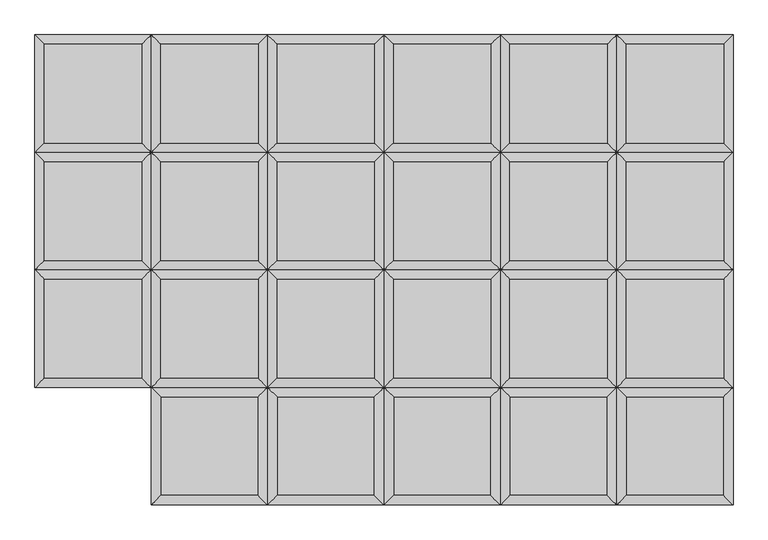
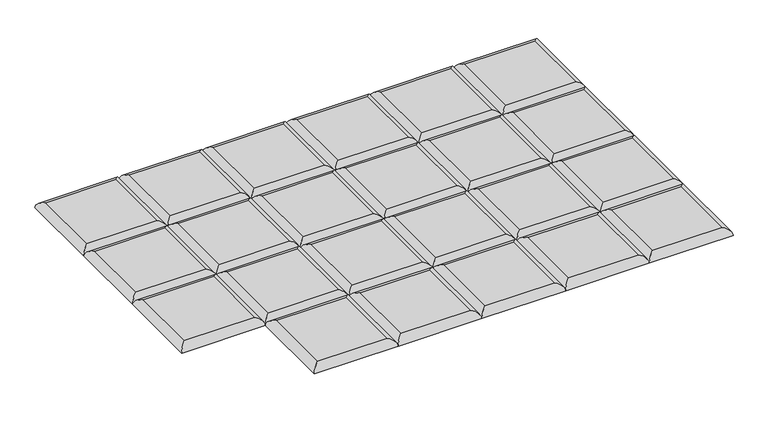
"""IFC4 building model written with IfcOpenShell, lengths in millimetres: furniture geometry."""

from ifc_helpers import new_model, si_unit, frame, origin, place, context, project, spatial, ellipse_curve, source, transform, mapped, element, save
from ifc_brep_helpers import plane_surface, cylinder_surface, advanced_brep


def furniture_85ab8b81(model_context):
    return source(origin(), model_context, "Body", "AdvancedBrep", [
        advanced_brep(
        [(641.6230592, -204.2894878, 411.6605122), (641.6230592, -17.9605122, 411.6605122), (457.8340837, -17.9605122, 411.6605122), (457.8340837, -204.2894878, 411.6605122), (659.5835714, 0.0, 393.7), (659.5835714, -222.25, 393.7), (439.8735714, -222.25, 393.7), (439.8735714, 0.0, 393.7)],
        [
            (0, 1),
            (1, 2),
            (2, 3),
            (3, 0),
            (4, 5),
            (5, 6),
            (6, 7),
            (7, 4),
            (4, 1, ellipse_curve(frame((641.6230592, -17.9605122, 393.7), z_axis=(0.7071067811865475, -0.7071067811865475, 0.0), x_axis=(0.7071067811865474, 0.7071067811865476, 0.0)), 25.4, 17.9605122)),
            (0, 5, ellipse_curve(frame((641.6230592, -204.2894878, 393.7), z_axis=(0.7071067811865475, 0.7071067811865475, 0.0), x_axis=(-0.7071067811865474, 0.7071067811865476, 0.0)), 25.4, 17.9605122)),
            (3, 6, ellipse_curve(frame((457.8340837, -204.2894878, 393.7), z_axis=(0.7071067811865475, -0.7071067811865475, 0.0), x_axis=(0.7071067811865476, 0.7071067811865474, 0.0)), 25.4, 17.9605122)),
            (2, 7, ellipse_curve(frame((457.8340837, -17.9605122, 393.7), z_axis=(-0.7071067811865475, -0.7071067811865475, 0.0), x_axis=(0.7071067811865474, -0.7071067811865476, 0.0)), 25.4, 17.9605122)),
        ],
        [
            plane_surface(frame((457.8340837, -17.9605122, 411.6605122), z_axis=(0.0, 0.0, 1.0), x_axis=(-1.0, 0.0, 0.0))),
            plane_surface(frame((457.8340837, -17.9605122, 393.7), z_axis=(0.0, 0.0, -1.0), x_axis=(1.0, 0.0, 0.0))),
            cylinder_surface(frame((641.6230592, 0.0, 393.7), z_axis=(0.0, 1.0, 0.0), x_axis=(1.0, 0.0, 0.0)), 17.9605122),
            cylinder_surface(frame((659.5835714, -204.2894878, 393.7), z_axis=(1.0, 0.0, 0.0), x_axis=(0.0, -1.0, 0.0)), 17.9605122),
            cylinder_surface(frame((457.8340837, -222.25, 393.7), z_axis=(0.0, -1.0, 0.0), x_axis=(-1.0, 0.0, 0.0)), 17.9605122),
            cylinder_surface(frame((439.8735714, -17.9605122, 393.7), z_axis=(-1.0, 0.0, 0.0), x_axis=(0.0, 1.0, 0.0)), 17.9605122),
        ],
        [
            (0, [[1, 2, 3, 4]]),
            (1, [[5, 6, 7, 8]]),
            (2, [[9, -1, 10, -5]]),
            (3, [[-10, -4, 11, -6]]),
            (4, [[-11, -3, 12, -7]]),
            (5, [[-9, -8, -12, -2]]),
        ],
    ),
        advanced_brep(
        [(641.6230592, 17.9605122, 411.6605122), (641.6230592, 204.2894878, 411.6605122), (457.8340837, 204.2894878, 411.6605122), (457.8340837, 17.9605122, 411.6605122), (659.5835714, 222.25, 393.7), (659.5835714, 0.0, 393.7), (439.8735714, 0.0, 393.7), (439.8735714, 222.25, 393.7)],
        [
            (0, 1),
            (1, 2),
            (2, 3),
            (3, 0),
            (4, 5),
            (5, 6),
            (6, 7),
            (7, 4),
            (4, 1, ellipse_curve(frame((641.6230592, 204.2894878, 393.7), z_axis=(0.7071067811865475, -0.7071067811865475, 0.0), x_axis=(0.7071067811865474, 0.7071067811865476, 0.0)), 25.4, 17.9605122)),
            (0, 5, ellipse_curve(frame((641.6230592, 17.9605122, 393.7), z_axis=(0.7071067811865475, 0.7071067811865475, 0.0), x_axis=(-0.7071067811865474, 0.7071067811865476, 0.0)), 25.4, 17.9605122)),
            (3, 6, ellipse_curve(frame((457.8340837, 17.9605122, 393.7), z_axis=(0.7071067811865475, -0.7071067811865475, 0.0), x_axis=(0.7071067811865476, 0.7071067811865474, 0.0)), 25.4, 17.9605122)),
            (2, 7, ellipse_curve(frame((457.8340837, 204.2894878, 393.7), z_axis=(-0.7071067811865475, -0.7071067811865475, 0.0), x_axis=(0.7071067811865474, -0.7071067811865476, 0.0)), 25.4, 17.9605122)),
        ],
        [
            plane_surface(frame((457.8340837, 204.2894878, 411.6605122), z_axis=(0.0, 0.0, 1.0), x_axis=(-1.0, 0.0, 0.0))),
            plane_surface(frame((457.8340837, 204.2894878, 393.7), z_axis=(0.0, 0.0, -1.0), x_axis=(1.0, 0.0, 0.0))),
            cylinder_surface(frame((641.6230592, 222.25, 393.7), z_axis=(0.0, 1.0, 0.0), x_axis=(1.0, 0.0, 0.0)), 17.9605122),
            cylinder_surface(frame((659.5835714, 17.9605122, 393.7), z_axis=(1.0, 0.0, 0.0), x_axis=(0.0, -1.0, 0.0)), 17.9605122),
            cylinder_surface(frame((457.8340837, 0.0, 393.7), z_axis=(0.0, -1.0, 0.0), x_axis=(-1.0, 0.0, 0.0)), 17.9605122),
            cylinder_surface(frame((439.8735714, 204.2894878, 393.7), z_axis=(-1.0, 0.0, 0.0), x_axis=(0.0, 1.0, 0.0)), 17.9605122),
        ],
        [
            (0, [[1, 2, 3, 4]]),
            (1, [[5, 6, 7, 8]]),
            (2, [[9, -1, 10, -5]]),
            (3, [[-10, -4, 11, -6]]),
            (4, [[-11, -3, 12, -7]]),
            (5, [[-9, -8, -12, -2]]),
        ],
    ),
        advanced_brep(
        [(641.6230592, 240.2105122, 411.6605122), (641.6230592, 426.5394878, 411.6605122), (457.8340837, 426.5394878, 411.6605122), (457.8340837, 240.2105122, 411.6605122), (659.5835714, 444.5, 393.7), (659.5835714, 222.25, 393.7), (439.8735714, 222.25, 393.7), (439.8735714, 444.5, 393.7)],
        [
            (0, 1),
            (1, 2),
            (2, 3),
            (3, 0),
            (4, 5),
            (5, 6),
            (6, 7),
            (7, 4),
            (4, 1, ellipse_curve(frame((641.6230592, 426.5394878, 393.7), z_axis=(0.7071067811865475, -0.7071067811865475, 0.0), x_axis=(0.7071067811865474, 0.7071067811865476, 0.0)), 25.4, 17.9605122)),
            (0, 5, ellipse_curve(frame((641.6230592, 240.2105122, 393.7), z_axis=(0.7071067811865475, 0.7071067811865475, 0.0), x_axis=(-0.7071067811865474, 0.7071067811865476, 0.0)), 25.4, 17.9605122)),
            (3, 6, ellipse_curve(frame((457.8340837, 240.2105122, 393.7), z_axis=(0.7071067811865475, -0.7071067811865475, 0.0), x_axis=(0.7071067811865476, 0.7071067811865474, 0.0)), 25.4, 17.9605122)),
            (2, 7, ellipse_curve(frame((457.8340837, 426.5394878, 393.7), z_axis=(-0.7071067811865475, -0.7071067811865475, 0.0), x_axis=(0.7071067811865474, -0.7071067811865476, 0.0)), 25.4, 17.9605122)),
        ],
        [
            plane_surface(frame((457.8340837, 426.5394878, 411.6605122), z_axis=(0.0, 0.0, 1.0), x_axis=(-1.0, 0.0, 0.0))),
            plane_surface(frame((457.8340837, 426.5394878, 393.7), z_axis=(0.0, 0.0, -1.0), x_axis=(1.0, 0.0, 0.0))),
            cylinder_surface(frame((641.6230592, 444.5, 393.7), z_axis=(0.0, 1.0, 0.0), x_axis=(1.0, 0.0, 0.0)), 17.9605122),
            cylinder_surface(frame((659.5835714, 240.2105122, 393.7), z_axis=(1.0, 0.0, 0.0), x_axis=(0.0, -1.0, 0.0)), 17.9605122),
            cylinder_surface(frame((457.8340837, 222.25, 393.7), z_axis=(0.0, -1.0, 0.0), x_axis=(-1.0, 0.0, 0.0)), 17.9605122),
            cylinder_surface(frame((439.8735714, 426.5394878, 393.7), z_axis=(-1.0, 0.0, 0.0), x_axis=(0.0, 1.0, 0.0)), 17.9605122),
        ],
        [
            (0, [[1, 2, 3, 4]]),
            (1, [[5, 6, 7, 8]]),
            (2, [[9, -1, 10, -5]]),
            (3, [[-10, -4, 11, -6]]),
            (4, [[-11, -3, 12, -7]]),
            (5, [[-9, -8, -12, -2]]),
        ],
    ),
        advanced_brep(
        [(659.5835714, -222.25, 393.7), (641.6230592, -240.2105122, 411.6605122), (641.6230592, -426.5394878, 411.6605122), (659.5835714, -444.5, 393.7), (457.8340837, -426.5394878, 411.6605122), (439.8735714, -444.5, 393.7), (457.8340837, -240.2105122, 411.6605122), (439.8735714, -222.25, 393.7)],
        [
            (0, 1, ellipse_curve(frame((641.6230592, -240.2105122, 393.7), z_axis=(0.7071067811865475, -0.7071067811865475, 0.0), x_axis=(0.7071067811865474, 0.7071067811865476, 0.0)), 25.4, 17.9605122)),
            (1, 2),
            (2, 3, ellipse_curve(frame((641.6230592, -426.5394878, 393.7), z_axis=(0.7071067811865475, 0.7071067811865475, 0.0), x_axis=(-0.7071067811865474, 0.7071067811865476, 0.0)), 25.4, 17.9605122)),
            (3, 0),
            (2, 4),
            (4, 5, ellipse_curve(frame((457.8340837, -426.5394878, 393.7), z_axis=(0.7071067811865475, -0.7071067811865475, 0.0), x_axis=(0.7071067811865476, 0.7071067811865474, 0.0)), 25.4, 17.9605122)),
            (5, 3),
            (4, 6),
            (6, 7, ellipse_curve(frame((457.8340837, -240.2105122, 393.7), z_axis=(-0.7071067811865475, -0.7071067811865475, 0.0), x_axis=(0.7071067811865474, -0.7071067811865476, 0.0)), 25.4, 17.9605122)),
            (7, 5),
            (0, 7),
            (6, 1),
        ],
        [
            cylinder_surface(frame((641.6230592, -222.25, 393.7), z_axis=(0.0, 1.0, 0.0), x_axis=(1.0, 0.0, 0.0)), 17.9605122),
            cylinder_surface(frame((659.5835714, -426.5394878, 393.7), z_axis=(1.0, 0.0, 0.0), x_axis=(0.0, -1.0, 0.0)), 17.9605122),
            cylinder_surface(frame((457.8340837, -444.5, 393.7), z_axis=(0.0, -1.0, 0.0), x_axis=(-1.0, 0.0, 0.0)), 17.9605122),
            cylinder_surface(frame((439.8735714, -240.2105122, 393.7), z_axis=(-1.0, 0.0, 0.0), x_axis=(0.0, 1.0, 0.0)), 17.9605122),
            plane_surface(frame((439.8735714, -222.25, 393.7), z_axis=(0.0, 0.0, -1.0), x_axis=(1.0, 0.0, 0.0))),
            plane_surface(frame((457.8340837, -240.2105122, 411.6605122), z_axis=(0.0, 0.0, 1.0), x_axis=(-1.0, 0.0, 0.0))),
        ],
        [
            (0, [[1, 2, 3, 4]]),
            (1, [[-3, 5, 6, 7]]),
            (2, [[-6, 8, 9, 10]]),
            (3, [[-1, 11, -9, 12]]),
            (4, [[-4, -7, -10, -11]]),
            (5, [[-2, -12, -8, -5]]),
        ],
    ),
        advanced_brep(
        [(421.7316306, -204.2894878, 411.6605122), (421.7316306, -17.9605122, 411.6605122), (237.9426551, -17.9605122, 411.6605122), (237.9426551, -204.2894878, 411.6605122), (439.6921429, 0.0, 393.7), (439.6921429, -222.25, 393.7), (219.9821429, -222.25, 393.7), (219.9821429, 0.0, 393.7)],
        [
            (0, 1),
            (1, 2),
            (2, 3),
            (3, 0),
            (4, 5),
            (5, 6),
            (6, 7),
            (7, 4),
            (4, 1, ellipse_curve(frame((421.7316306, -17.9605122, 393.7), z_axis=(0.7071067811865475, -0.7071067811865475, 0.0), x_axis=(0.7071067811865474, 0.7071067811865476, 0.0)), 25.4, 17.9605122)),
            (0, 5, ellipse_curve(frame((421.7316306, -204.2894878, 393.7), z_axis=(0.7071067811865475, 0.7071067811865475, 0.0), x_axis=(-0.7071067811865474, 0.7071067811865476, 0.0)), 25.4, 17.9605122)),
            (3, 6, ellipse_curve(frame((237.9426551, -204.2894878, 393.7), z_axis=(0.7071067811865475, -0.7071067811865475, 0.0), x_axis=(0.7071067811865476, 0.7071067811865474, 0.0)), 25.4, 17.9605122)),
            (2, 7, ellipse_curve(frame((237.9426551, -17.9605122, 393.7), z_axis=(-0.7071067811865475, -0.7071067811865475, 0.0), x_axis=(0.7071067811865474, -0.7071067811865476, 0.0)), 25.4, 17.9605122)),
        ],
        [
            plane_surface(frame((237.9426551, -17.9605122, 411.6605122), z_axis=(0.0, 0.0, 1.0), x_axis=(-1.0, 0.0, 0.0))),
            plane_surface(frame((237.9426551, -17.9605122, 393.7), z_axis=(0.0, 0.0, -1.0), x_axis=(1.0, 0.0, 0.0))),
            cylinder_surface(frame((421.7316306, 0.0, 393.7), z_axis=(0.0, 1.0, 0.0), x_axis=(1.0, 0.0, 0.0)), 17.9605122),
            cylinder_surface(frame((439.6921429, -204.2894878, 393.7), z_axis=(1.0, 0.0, 0.0), x_axis=(0.0, -1.0, 0.0)), 17.9605122),
            cylinder_surface(frame((237.9426551, -222.25, 393.7), z_axis=(0.0, -1.0, 0.0), x_axis=(-1.0, 0.0, 0.0)), 17.9605122),
            cylinder_surface(frame((219.9821429, -17.9605122, 393.7), z_axis=(-1.0, 0.0, 0.0), x_axis=(0.0, 1.0, 0.0)), 17.9605122),
        ],
        [
            (0, [[1, 2, 3, 4]]),
            (1, [[5, 6, 7, 8]]),
            (2, [[9, -1, 10, -5]]),
            (3, [[-10, -4, 11, -6]]),
            (4, [[-11, -3, 12, -7]]),
            (5, [[-9, -8, -12, -2]]),
        ],
    ),
        advanced_brep(
        [(421.7316306, 17.9605122, 411.6605122), (421.7316306, 204.2894878, 411.6605122), (237.9426551, 204.2894878, 411.6605122), (237.9426551, 17.9605122, 411.6605122), (439.6921429, 222.25, 393.7), (439.6921429, 0.0, 393.7), (219.9821429, 0.0, 393.7), (219.9821429, 222.25, 393.7)],
        [
            (0, 1),
            (1, 2),
            (2, 3),
            (3, 0),
            (4, 5),
            (5, 6),
            (6, 7),
            (7, 4),
            (4, 1, ellipse_curve(frame((421.7316306, 204.2894878, 393.7), z_axis=(0.7071067811865475, -0.7071067811865475, 0.0), x_axis=(0.7071067811865474, 0.7071067811865476, 0.0)), 25.4, 17.9605122)),
            (0, 5, ellipse_curve(frame((421.7316306, 17.9605122, 393.7), z_axis=(0.7071067811865475, 0.7071067811865475, 0.0), x_axis=(-0.7071067811865474, 0.7071067811865476, 0.0)), 25.4, 17.9605122)),
            (3, 6, ellipse_curve(frame((237.9426551, 17.9605122, 393.7), z_axis=(0.7071067811865475, -0.7071067811865475, 0.0), x_axis=(0.7071067811865476, 0.7071067811865474, 0.0)), 25.4, 17.9605122)),
            (2, 7, ellipse_curve(frame((237.9426551, 204.2894878, 393.7), z_axis=(-0.7071067811865475, -0.7071067811865475, 0.0), x_axis=(0.7071067811865474, -0.7071067811865476, 0.0)), 25.4, 17.9605122)),
        ],
        [
            plane_surface(frame((237.9426551, 204.2894878, 411.6605122), z_axis=(0.0, 0.0, 1.0), x_axis=(-1.0, 0.0, 0.0))),
            plane_surface(frame((237.9426551, 204.2894878, 393.7), z_axis=(0.0, 0.0, -1.0), x_axis=(1.0, 0.0, 0.0))),
            cylinder_surface(frame((421.7316306, 222.25, 393.7), z_axis=(0.0, 1.0, 0.0), x_axis=(1.0, 0.0, 0.0)), 17.9605122),
            cylinder_surface(frame((439.6921429, 17.9605122, 393.7), z_axis=(1.0, 0.0, 0.0), x_axis=(0.0, -1.0, 0.0)), 17.9605122),
            cylinder_surface(frame((237.9426551, 0.0, 393.7), z_axis=(0.0, -1.0, 0.0), x_axis=(-1.0, 0.0, 0.0)), 17.9605122),
            cylinder_surface(frame((219.9821429, 204.2894878, 393.7), z_axis=(-1.0, 0.0, 0.0), x_axis=(0.0, 1.0, 0.0)), 17.9605122),
        ],
        [
            (0, [[1, 2, 3, 4]]),
            (1, [[5, 6, 7, 8]]),
            (2, [[9, -1, 10, -5]]),
            (3, [[-10, -4, 11, -6]]),
            (4, [[-11, -3, 12, -7]]),
            (5, [[-9, -8, -12, -2]]),
        ],
    ),
        advanced_brep(
        [(421.7316306, 240.2105122, 411.6605122), (421.7316306, 426.5394878, 411.6605122), (237.9426551, 426.5394878, 411.6605122), (237.9426551, 240.2105122, 411.6605122), (439.6921429, 444.5, 393.7), (439.6921429, 222.25, 393.7), (219.9821429, 222.25, 393.7), (219.9821429, 444.5, 393.7)],
        [
            (0, 1),
            (1, 2),
            (2, 3),
            (3, 0),
            (4, 5),
            (5, 6),
            (6, 7),
            (7, 4),
            (4, 1, ellipse_curve(frame((421.7316306, 426.5394878, 393.7), z_axis=(0.7071067811865475, -0.7071067811865475, 0.0), x_axis=(0.7071067811865474, 0.7071067811865476, 0.0)), 25.4, 17.9605122)),
            (0, 5, ellipse_curve(frame((421.7316306, 240.2105122, 393.7), z_axis=(0.7071067811865475, 0.7071067811865475, 0.0), x_axis=(-0.7071067811865474, 0.7071067811865476, 0.0)), 25.4, 17.9605122)),
            (3, 6, ellipse_curve(frame((237.9426551, 240.2105122, 393.7), z_axis=(0.7071067811865475, -0.7071067811865475, 0.0), x_axis=(0.7071067811865476, 0.7071067811865474, 0.0)), 25.4, 17.9605122)),
            (2, 7, ellipse_curve(frame((237.9426551, 426.5394878, 393.7), z_axis=(-0.7071067811865475, -0.7071067811865475, 0.0), x_axis=(0.7071067811865474, -0.7071067811865476, 0.0)), 25.4, 17.9605122)),
        ],
        [
            plane_surface(frame((237.9426551, 426.5394878, 411.6605122), z_axis=(0.0, 0.0, 1.0), x_axis=(-1.0, 0.0, 0.0))),
            plane_surface(frame((237.9426551, 426.5394878, 393.7), z_axis=(0.0, 0.0, -1.0), x_axis=(1.0, 0.0, 0.0))),
            cylinder_surface(frame((421.7316306, 444.5, 393.7), z_axis=(0.0, 1.0, 0.0), x_axis=(1.0, 0.0, 0.0)), 17.9605122),
            cylinder_surface(frame((439.6921429, 240.2105122, 393.7), z_axis=(1.0, 0.0, 0.0), x_axis=(0.0, -1.0, 0.0)), 17.9605122),
            cylinder_surface(frame((237.9426551, 222.25, 393.7), z_axis=(0.0, -1.0, 0.0), x_axis=(-1.0, 0.0, 0.0)), 17.9605122),
            cylinder_surface(frame((219.9821429, 426.5394878, 393.7), z_axis=(-1.0, 0.0, 0.0), x_axis=(0.0, 1.0, 0.0)), 17.9605122),
        ],
        [
            (0, [[1, 2, 3, 4]]),
            (1, [[5, 6, 7, 8]]),
            (2, [[9, -1, 10, -5]]),
            (3, [[-10, -4, 11, -6]]),
            (4, [[-11, -3, 12, -7]]),
            (5, [[-9, -8, -12, -2]]),
        ],
    ),
        advanced_brep(
        [(439.6921429, -222.25, 393.7), (421.7316306, -240.2105122, 411.6605122), (421.7316306, -426.5394878, 411.6605122), (439.6921429, -444.5, 393.7), (237.9426551, -426.5394878, 411.6605122), (219.9821429, -444.5, 393.7), (237.9426551, -240.2105122, 411.6605122), (219.9821429, -222.25, 393.7)],
        [
            (0, 1, ellipse_curve(frame((421.7316306, -240.2105122, 393.7), z_axis=(0.7071067811865475, -0.7071067811865475, 0.0), x_axis=(0.7071067811865474, 0.7071067811865476, 0.0)), 25.4, 17.9605122)),
            (1, 2),
            (2, 3, ellipse_curve(frame((421.7316306, -426.5394878, 393.7), z_axis=(0.7071067811865475, 0.7071067811865475, 0.0), x_axis=(-0.7071067811865474, 0.7071067811865476, 0.0)), 25.4, 17.9605122)),
            (3, 0),
            (2, 4),
            (4, 5, ellipse_curve(frame((237.9426551, -426.5394878, 393.7), z_axis=(0.7071067811865475, -0.7071067811865475, 0.0), x_axis=(0.7071067811865476, 0.7071067811865474, 0.0)), 25.4, 17.9605122)),
            (5, 3),
            (4, 6),
            (6, 7, ellipse_curve(frame((237.9426551, -240.2105122, 393.7), z_axis=(-0.7071067811865475, -0.7071067811865475, 0.0), x_axis=(0.7071067811865474, -0.7071067811865476, 0.0)), 25.4, 17.9605122)),
            (7, 5),
            (0, 7),
            (6, 1),
        ],
        [
            cylinder_surface(frame((421.7316306, -222.25, 393.7), z_axis=(0.0, 1.0, 0.0), x_axis=(1.0, 0.0, 0.0)), 17.9605122),
            cylinder_surface(frame((439.6921429, -426.5394878, 393.7), z_axis=(1.0, 0.0, 0.0), x_axis=(0.0, -1.0, 0.0)), 17.9605122),
            cylinder_surface(frame((237.9426551, -444.5, 393.7), z_axis=(0.0, -1.0, 0.0), x_axis=(-1.0, 0.0, 0.0)), 17.9605122),
            cylinder_surface(frame((219.9821429, -240.2105122, 393.7), z_axis=(-1.0, 0.0, 0.0), x_axis=(0.0, 1.0, 0.0)), 17.9605122),
            plane_surface(frame((219.9821429, -222.25, 393.7), z_axis=(0.0, 0.0, -1.0), x_axis=(1.0, 0.0, 0.0))),
            plane_surface(frame((237.9426551, -240.2105122, 411.6605122), z_axis=(0.0, 0.0, 1.0), x_axis=(-1.0, 0.0, 0.0))),
        ],
        [
            (0, [[1, 2, 3, 4]]),
            (1, [[-3, 5, 6, 7]]),
            (2, [[-6, 8, 9, 10]]),
            (3, [[-1, 11, -9, 12]]),
            (4, [[-4, -7, -10, -11]]),
            (5, [[-2, -12, -8, -5]]),
        ],
    ),
        advanced_brep(
        [(201.840202, -204.2894878, 411.6605122), (201.840202, -17.9605122, 411.6605122), (18.0512265, -17.9605122, 411.6605122), (18.0512265, -204.2894878, 411.6605122), (219.8007143, 0.0, 393.7), (219.8007143, -222.25, 393.7), (0.0907143, -222.25, 393.7), (0.0907143, 0.0, 393.7)],
        [
            (0, 1),
            (1, 2),
            (2, 3),
            (3, 0),
            (4, 5),
            (5, 6),
            (6, 7),
            (7, 4),
            (4, 1, ellipse_curve(frame((201.840202, -17.9605122, 393.7), z_axis=(0.7071067811865475, -0.7071067811865475, 0.0), x_axis=(0.7071067811865474, 0.7071067811865476, 0.0)), 25.4, 17.9605122)),
            (0, 5, ellipse_curve(frame((201.840202, -204.2894878, 393.7), z_axis=(0.7071067811865475, 0.7071067811865475, 0.0), x_axis=(-0.7071067811865474, 0.7071067811865476, 0.0)), 25.4, 17.9605122)),
            (3, 6, ellipse_curve(frame((18.0512265, -204.2894878, 393.7), z_axis=(0.7071067811865475, -0.7071067811865475, 0.0), x_axis=(0.7071067811865476, 0.7071067811865474, 0.0)), 25.4, 17.9605122)),
            (2, 7, ellipse_curve(frame((18.0512265, -17.9605122, 393.7), z_axis=(-0.7071067811865475, -0.7071067811865475, 0.0), x_axis=(0.7071067811865474, -0.7071067811865476, 0.0)), 25.4, 17.9605122)),
        ],
        [
            plane_surface(frame((18.0512265, -17.9605122, 411.6605122), z_axis=(0.0, 0.0, 1.0), x_axis=(-1.0, 0.0, 0.0))),
            plane_surface(frame((18.0512265, -17.9605122, 393.7), z_axis=(0.0, 0.0, -1.0), x_axis=(1.0, 0.0, 0.0))),
            cylinder_surface(frame((201.840202, 0.0, 393.7), z_axis=(0.0, 1.0, 0.0), x_axis=(1.0, 0.0, 0.0)), 17.9605122),
            cylinder_surface(frame((219.8007143, -204.2894878, 393.7), z_axis=(1.0, 0.0, 0.0), x_axis=(0.0, -1.0, 0.0)), 17.9605122),
            cylinder_surface(frame((18.0512265, -222.25, 393.7), z_axis=(0.0, -1.0, 0.0), x_axis=(-1.0, 0.0, 0.0)), 17.9605122),
            cylinder_surface(frame((0.0907143, -17.9605122, 393.7), z_axis=(-1.0, 0.0, 0.0), x_axis=(0.0, 1.0, 0.0)), 17.9605122),
        ],
        [
            (0, [[1, 2, 3, 4]]),
            (1, [[5, 6, 7, 8]]),
            (2, [[9, -1, 10, -5]]),
            (3, [[-10, -4, 11, -6]]),
            (4, [[-11, -3, 12, -7]]),
            (5, [[-9, -8, -12, -2]]),
        ],
    ),
        advanced_brep(
        [(201.840202, 17.9605122, 411.6605122), (201.840202, 204.2894878, 411.6605122), (18.0512265, 204.2894878, 411.6605122), (18.0512265, 17.9605122, 411.6605122), (219.8007143, 222.25, 393.7), (219.8007143, 0.0, 393.7), (0.0907143, 0.0, 393.7), (0.0907143, 222.25, 393.7)],
        [
            (0, 1),
            (1, 2),
            (2, 3),
            (3, 0),
            (4, 5),
            (5, 6),
            (6, 7),
            (7, 4),
            (4, 1, ellipse_curve(frame((201.840202, 204.2894878, 393.7), z_axis=(0.7071067811865475, -0.7071067811865475, 0.0), x_axis=(0.7071067811865474, 0.7071067811865476, 0.0)), 25.4, 17.9605122)),
            (0, 5, ellipse_curve(frame((201.840202, 17.9605122, 393.7), z_axis=(0.7071067811865475, 0.7071067811865475, 0.0), x_axis=(-0.7071067811865474, 0.7071067811865476, 0.0)), 25.4, 17.9605122)),
            (3, 6, ellipse_curve(frame((18.0512265, 17.9605122, 393.7), z_axis=(0.7071067811865475, -0.7071067811865475, 0.0), x_axis=(0.7071067811865476, 0.7071067811865474, 0.0)), 25.4, 17.9605122)),
            (2, 7, ellipse_curve(frame((18.0512265, 204.2894878, 393.7), z_axis=(-0.7071067811865475, -0.7071067811865475, 0.0), x_axis=(0.7071067811865474, -0.7071067811865476, 0.0)), 25.4, 17.9605122)),
        ],
        [
            plane_surface(frame((18.0512265, 204.2894878, 411.6605122), z_axis=(0.0, 0.0, 1.0), x_axis=(-1.0, 0.0, 0.0))),
            plane_surface(frame((18.0512265, 204.2894878, 393.7), z_axis=(0.0, 0.0, -1.0), x_axis=(1.0, 0.0, 0.0))),
            cylinder_surface(frame((201.840202, 222.25, 393.7), z_axis=(0.0, 1.0, 0.0), x_axis=(1.0, 0.0, 0.0)), 17.9605122),
            cylinder_surface(frame((219.8007143, 17.9605122, 393.7), z_axis=(1.0, 0.0, 0.0), x_axis=(0.0, -1.0, 0.0)), 17.9605122),
            cylinder_surface(frame((18.0512265, 0.0, 393.7), z_axis=(0.0, -1.0, 0.0), x_axis=(-1.0, 0.0, 0.0)), 17.9605122),
            cylinder_surface(frame((0.0907143, 204.2894878, 393.7), z_axis=(-1.0, 0.0, 0.0), x_axis=(0.0, 1.0, 0.0)), 17.9605122),
        ],
        [
            (0, [[1, 2, 3, 4]]),
            (1, [[5, 6, 7, 8]]),
            (2, [[9, -1, 10, -5]]),
            (3, [[-10, -4, 11, -6]]),
            (4, [[-11, -3, 12, -7]]),
            (5, [[-9, -8, -12, -2]]),
        ],
    ),
        advanced_brep(
        [(201.840202, 240.2105122, 411.6605122), (201.840202, 426.5394878, 411.6605122), (18.0512265, 426.5394878, 411.6605122), (18.0512265, 240.2105122, 411.6605122), (219.8007143, 444.5, 393.7), (219.8007143, 222.25, 393.7), (0.0907143, 222.25, 393.7), (0.0907143, 444.5, 393.7)],
        [
            (0, 1),
            (1, 2),
            (2, 3),
            (3, 0),
            (4, 5),
            (5, 6),
            (6, 7),
            (7, 4),
            (4, 1, ellipse_curve(frame((201.840202, 426.5394878, 393.7), z_axis=(0.7071067811865475, -0.7071067811865475, 0.0), x_axis=(0.7071067811865474, 0.7071067811865476, 0.0)), 25.4, 17.9605122)),
            (0, 5, ellipse_curve(frame((201.840202, 240.2105122, 393.7), z_axis=(0.7071067811865475, 0.7071067811865475, 0.0), x_axis=(-0.7071067811865474, 0.7071067811865476, 0.0)), 25.4, 17.9605122)),
            (3, 6, ellipse_curve(frame((18.0512265, 240.2105122, 393.7), z_axis=(0.7071067811865475, -0.7071067811865475, 0.0), x_axis=(0.7071067811865476, 0.7071067811865474, 0.0)), 25.4, 17.9605122)),
            (2, 7, ellipse_curve(frame((18.0512265, 426.5394878, 393.7), z_axis=(-0.7071067811865475, -0.7071067811865475, 0.0), x_axis=(0.7071067811865474, -0.7071067811865476, 0.0)), 25.4, 17.9605122)),
        ],
        [
            plane_surface(frame((18.0512265, 426.5394878, 411.6605122), z_axis=(0.0, 0.0, 1.0), x_axis=(-1.0, 0.0, 0.0))),
            plane_surface(frame((18.0512265, 426.5394878, 393.7), z_axis=(0.0, 0.0, -1.0), x_axis=(1.0, 0.0, 0.0))),
            cylinder_surface(frame((201.840202, 444.5, 393.7), z_axis=(0.0, 1.0, 0.0), x_axis=(1.0, 0.0, 0.0)), 17.9605122),
            cylinder_surface(frame((219.8007143, 240.2105122, 393.7), z_axis=(1.0, 0.0, 0.0), x_axis=(0.0, -1.0, 0.0)), 17.9605122),
            cylinder_surface(frame((18.0512265, 222.25, 393.7), z_axis=(0.0, -1.0, 0.0), x_axis=(-1.0, 0.0, 0.0)), 17.9605122),
            cylinder_surface(frame((0.0907143, 426.5394878, 393.7), z_axis=(-1.0, 0.0, 0.0), x_axis=(0.0, 1.0, 0.0)), 17.9605122),
        ],
        [
            (0, [[1, 2, 3, 4]]),
            (1, [[5, 6, 7, 8]]),
            (2, [[9, -1, 10, -5]]),
            (3, [[-10, -4, 11, -6]]),
            (4, [[-11, -3, 12, -7]]),
            (5, [[-9, -8, -12, -2]]),
        ],
    ),
        advanced_brep(
        [(219.8007143, -222.25, 393.7), (201.840202, -240.2105122, 411.6605122), (201.840202, -426.5394878, 411.6605122), (219.8007143, -444.5, 393.7), (18.0512265, -426.5394878, 411.6605122), (0.0907143, -444.5, 393.7), (18.0512265, -240.2105122, 411.6605122), (0.0907143, -222.25, 393.7)],
        [
            (0, 1, ellipse_curve(frame((201.840202, -240.2105122, 393.7), z_axis=(0.7071067811865475, -0.7071067811865475, 0.0), x_axis=(0.7071067811865474, 0.7071067811865476, 0.0)), 25.4, 17.9605122)),
            (1, 2),
            (2, 3, ellipse_curve(frame((201.840202, -426.5394878, 393.7), z_axis=(0.7071067811865475, 0.7071067811865475, 0.0), x_axis=(-0.7071067811865474, 0.7071067811865476, 0.0)), 25.4, 17.9605122)),
            (3, 0),
            (2, 4),
            (4, 5, ellipse_curve(frame((18.0512265, -426.5394878, 393.7), z_axis=(0.7071067811865475, -0.7071067811865475, 0.0), x_axis=(0.7071067811865476, 0.7071067811865474, 0.0)), 25.4, 17.9605122)),
            (5, 3),
            (4, 6),
            (6, 7, ellipse_curve(frame((18.0512265, -240.2105122, 393.7), z_axis=(-0.7071067811865475, -0.7071067811865475, 0.0), x_axis=(0.7071067811865474, -0.7071067811865476, 0.0)), 25.4, 17.9605122)),
            (7, 5),
            (0, 7),
            (6, 1),
        ],
        [
            cylinder_surface(frame((201.840202, -222.25, 393.7), z_axis=(0.0, 1.0, 0.0), x_axis=(1.0, 0.0, 0.0)), 17.9605122),
            cylinder_surface(frame((219.8007143, -426.5394878, 393.7), z_axis=(1.0, 0.0, 0.0), x_axis=(0.0, -1.0, 0.0)), 17.9605122),
            cylinder_surface(frame((18.0512265, -444.5, 393.7), z_axis=(0.0, -1.0, 0.0), x_axis=(-1.0, 0.0, 0.0)), 17.9605122),
            cylinder_surface(frame((0.0907143, -240.2105122, 393.7), z_axis=(-1.0, 0.0, 0.0), x_axis=(0.0, 1.0, 0.0)), 17.9605122),
            plane_surface(frame((0.0907143, -222.25, 393.7), z_axis=(0.0, 0.0, -1.0), x_axis=(1.0, 0.0, 0.0))),
            plane_surface(frame((18.0512265, -240.2105122, 411.6605122), z_axis=(0.0, 0.0, 1.0), x_axis=(-1.0, 0.0, 0.0))),
        ],
        [
            (0, [[1, 2, 3, 4]]),
            (1, [[-3, 5, 6, 7]]),
            (2, [[-6, 8, 9, 10]]),
            (3, [[-1, 11, -9, 12]]),
            (4, [[-4, -7, -10, -11]]),
            (5, [[-2, -12, -8, -5]]),
        ],
    ),
        advanced_brep(
        [(-18.0512265, -204.2894878, 411.6605122), (-18.0512265, -17.9605122, 411.6605122), (-201.840202, -17.9605122, 411.6605122), (-201.840202, -204.2894878, 411.6605122), (-0.0907143, 0.0, 393.7), (-0.0907143, -222.25, 393.7), (-219.8007143, -222.25, 393.7), (-219.8007143, 0.0, 393.7)],
        [
            (0, 1),
            (1, 2),
            (2, 3),
            (3, 0),
            (4, 5),
            (5, 6),
            (6, 7),
            (7, 4),
            (4, 1, ellipse_curve(frame((-18.0512265, -17.9605122, 393.7), z_axis=(0.7071067811865475, -0.7071067811865475, 0.0), x_axis=(0.7071067811865474, 0.7071067811865476, 0.0)), 25.4, 17.9605122)),
            (0, 5, ellipse_curve(frame((-18.0512265, -204.2894878, 393.7), z_axis=(0.7071067811865475, 0.7071067811865475, 0.0), x_axis=(-0.7071067811865474, 0.7071067811865476, 0.0)), 25.4, 17.9605122)),
            (3, 6, ellipse_curve(frame((-201.840202, -204.2894878, 393.7), z_axis=(0.7071067811865475, -0.7071067811865475, 0.0), x_axis=(0.7071067811865476, 0.7071067811865474, 0.0)), 25.4, 17.9605122)),
            (2, 7, ellipse_curve(frame((-201.840202, -17.9605122, 393.7), z_axis=(-0.7071067811865475, -0.7071067811865475, 0.0), x_axis=(0.7071067811865474, -0.7071067811865476, 0.0)), 25.4, 17.9605122)),
        ],
        [
            plane_surface(frame((-201.840202, -17.9605122, 411.6605122), z_axis=(0.0, 0.0, 1.0), x_axis=(-1.0, 0.0, 0.0))),
            plane_surface(frame((-201.840202, -17.9605122, 393.7), z_axis=(0.0, 0.0, -1.0), x_axis=(1.0, 0.0, 0.0))),
            cylinder_surface(frame((-18.0512265, 0.0, 393.7), z_axis=(0.0, 1.0, 0.0), x_axis=(1.0, 0.0, 0.0)), 17.9605122),
            cylinder_surface(frame((-0.0907143, -204.2894878, 393.7), z_axis=(1.0, 0.0, 0.0), x_axis=(0.0, -1.0, 0.0)), 17.9605122),
            cylinder_surface(frame((-201.840202, -222.25, 393.7), z_axis=(0.0, -1.0, 0.0), x_axis=(-1.0, 0.0, 0.0)), 17.9605122),
            cylinder_surface(frame((-219.8007143, -17.9605122, 393.7), z_axis=(-1.0, 0.0, 0.0), x_axis=(0.0, 1.0, 0.0)), 17.9605122),
        ],
        [
            (0, [[1, 2, 3, 4]]),
            (1, [[5, 6, 7, 8]]),
            (2, [[9, -1, 10, -5]]),
            (3, [[-10, -4, 11, -6]]),
            (4, [[-11, -3, 12, -7]]),
            (5, [[-9, -8, -12, -2]]),
        ],
    ),
        advanced_brep(
        [(-18.0512265, 17.9605122, 411.6605122), (-18.0512265, 204.2894878, 411.6605122), (-201.840202, 204.2894878, 411.6605122), (-201.840202, 17.9605122, 411.6605122), (-0.0907143, 222.25, 393.7), (-0.0907143, 0.0, 393.7), (-219.8007143, 0.0, 393.7), (-219.8007143, 222.25, 393.7)],
        [
            (0, 1),
            (1, 2),
            (2, 3),
            (3, 0),
            (4, 5),
            (5, 6),
            (6, 7),
            (7, 4),
            (4, 1, ellipse_curve(frame((-18.0512265, 204.2894878, 393.7), z_axis=(0.7071067811865475, -0.7071067811865475, 0.0), x_axis=(0.7071067811865474, 0.7071067811865476, 0.0)), 25.4, 17.9605122)),
            (0, 5, ellipse_curve(frame((-18.0512265, 17.9605122, 393.7), z_axis=(0.7071067811865475, 0.7071067811865475, 0.0), x_axis=(-0.7071067811865474, 0.7071067811865476, 0.0)), 25.4, 17.9605122)),
            (3, 6, ellipse_curve(frame((-201.840202, 17.9605122, 393.7), z_axis=(0.7071067811865475, -0.7071067811865475, 0.0), x_axis=(0.7071067811865476, 0.7071067811865474, 0.0)), 25.4, 17.9605122)),
            (2, 7, ellipse_curve(frame((-201.840202, 204.2894878, 393.7), z_axis=(-0.7071067811865475, -0.7071067811865475, 0.0), x_axis=(0.7071067811865474, -0.7071067811865476, 0.0)), 25.4, 17.9605122)),
        ],
        [
            plane_surface(frame((-201.840202, 204.2894878, 411.6605122), z_axis=(0.0, 0.0, 1.0), x_axis=(-1.0, 0.0, 0.0))),
            plane_surface(frame((-201.840202, 204.2894878, 393.7), z_axis=(0.0, 0.0, -1.0), x_axis=(1.0, 0.0, 0.0))),
            cylinder_surface(frame((-18.0512265, 222.25, 393.7), z_axis=(0.0, 1.0, 0.0), x_axis=(1.0, 0.0, 0.0)), 17.9605122),
            cylinder_surface(frame((-0.0907143, 17.9605122, 393.7), z_axis=(1.0, 0.0, 0.0), x_axis=(0.0, -1.0, 0.0)), 17.9605122),
            cylinder_surface(frame((-201.840202, 0.0, 393.7), z_axis=(0.0, -1.0, 0.0), x_axis=(-1.0, 0.0, 0.0)), 17.9605122),
            cylinder_surface(frame((-219.8007143, 204.2894878, 393.7), z_axis=(-1.0, 0.0, 0.0), x_axis=(0.0, 1.0, 0.0)), 17.9605122),
        ],
        [
            (0, [[1, 2, 3, 4]]),
            (1, [[5, 6, 7, 8]]),
            (2, [[9, -1, 10, -5]]),
            (3, [[-10, -4, 11, -6]]),
            (4, [[-11, -3, 12, -7]]),
            (5, [[-9, -8, -12, -2]]),
        ],
    ),
        advanced_brep(
        [(-18.0512265, 240.2105122, 411.6605122), (-18.0512265, 426.5394878, 411.6605122), (-201.840202, 426.5394878, 411.6605122), (-201.840202, 240.2105122, 411.6605122), (-0.0907143, 444.5, 393.7), (-0.0907143, 222.25, 393.7), (-219.8007143, 222.25, 393.7), (-219.8007143, 444.5, 393.7)],
        [
            (0, 1),
            (1, 2),
            (2, 3),
            (3, 0),
            (4, 5),
            (5, 6),
            (6, 7),
            (7, 4),
            (4, 1, ellipse_curve(frame((-18.0512265, 426.5394878, 393.7), z_axis=(0.7071067811865475, -0.7071067811865475, 0.0), x_axis=(0.7071067811865474, 0.7071067811865476, 0.0)), 25.4, 17.9605122)),
            (0, 5, ellipse_curve(frame((-18.0512265, 240.2105122, 393.7), z_axis=(0.7071067811865475, 0.7071067811865475, 0.0), x_axis=(-0.7071067811865474, 0.7071067811865476, 0.0)), 25.4, 17.9605122)),
            (3, 6, ellipse_curve(frame((-201.840202, 240.2105122, 393.7), z_axis=(0.7071067811865475, -0.7071067811865475, 0.0), x_axis=(0.7071067811865476, 0.7071067811865474, 0.0)), 25.4, 17.9605122)),
            (2, 7, ellipse_curve(frame((-201.840202, 426.5394878, 393.7), z_axis=(-0.7071067811865475, -0.7071067811865475, 0.0), x_axis=(0.7071067811865474, -0.7071067811865476, 0.0)), 25.4, 17.9605122)),
        ],
        [
            plane_surface(frame((-201.840202, 426.5394878, 411.6605122), z_axis=(0.0, 0.0, 1.0), x_axis=(-1.0, 0.0, 0.0))),
            plane_surface(frame((-201.840202, 426.5394878, 393.7), z_axis=(0.0, 0.0, -1.0), x_axis=(1.0, 0.0, 0.0))),
            cylinder_surface(frame((-18.0512265, 444.5, 393.7), z_axis=(0.0, 1.0, 0.0), x_axis=(1.0, 0.0, 0.0)), 17.9605122),
            cylinder_surface(frame((-0.0907143, 240.2105122, 393.7), z_axis=(1.0, 0.0, 0.0), x_axis=(0.0, -1.0, 0.0)), 17.9605122),
            cylinder_surface(frame((-201.840202, 222.25, 393.7), z_axis=(0.0, -1.0, 0.0), x_axis=(-1.0, 0.0, 0.0)), 17.9605122),
            cylinder_surface(frame((-219.8007143, 426.5394878, 393.7), z_axis=(-1.0, 0.0, 0.0), x_axis=(0.0, 1.0, 0.0)), 17.9605122),
        ],
        [
            (0, [[1, 2, 3, 4]]),
            (1, [[5, 6, 7, 8]]),
            (2, [[9, -1, 10, -5]]),
            (3, [[-10, -4, 11, -6]]),
            (4, [[-11, -3, 12, -7]]),
            (5, [[-9, -8, -12, -2]]),
        ],
    ),
        advanced_brep(
        [(-0.0907143, -222.25, 393.7), (-18.0512265, -240.2105122, 411.6605122), (-18.0512265, -426.5394878, 411.6605122), (-0.0907143, -444.5, 393.7), (-201.840202, -426.5394878, 411.6605122), (-219.8007143, -444.5, 393.7), (-201.840202, -240.2105122, 411.6605122), (-219.8007143, -222.25, 393.7)],
        [
            (0, 1, ellipse_curve(frame((-18.0512265, -240.2105122, 393.7), z_axis=(0.7071067811865475, -0.7071067811865475, 0.0), x_axis=(0.7071067811865474, 0.7071067811865476, 0.0)), 25.4, 17.9605122)),
            (1, 2),
            (2, 3, ellipse_curve(frame((-18.0512265, -426.5394878, 393.7), z_axis=(0.7071067811865475, 0.7071067811865475, 0.0), x_axis=(-0.7071067811865474, 0.7071067811865476, 0.0)), 25.4, 17.9605122)),
            (3, 0),
            (2, 4),
            (4, 5, ellipse_curve(frame((-201.840202, -426.5394878, 393.7), z_axis=(0.7071067811865475, -0.7071067811865475, 0.0), x_axis=(0.7071067811865476, 0.7071067811865474, 0.0)), 25.4, 17.9605122)),
            (5, 3),
            (4, 6),
            (6, 7, ellipse_curve(frame((-201.840202, -240.2105122, 393.7), z_axis=(-0.7071067811865475, -0.7071067811865475, 0.0), x_axis=(0.7071067811865474, -0.7071067811865476, 0.0)), 25.4, 17.9605122)),
            (7, 5),
            (0, 7),
            (6, 1),
        ],
        [
            cylinder_surface(frame((-18.0512265, -222.25, 393.7), z_axis=(0.0, 1.0, 0.0), x_axis=(1.0, 0.0, 0.0)), 17.9605122),
            cylinder_surface(frame((-0.0907143, -426.5394878, 393.7), z_axis=(1.0, 0.0, 0.0), x_axis=(0.0, -1.0, 0.0)), 17.9605122),
            cylinder_surface(frame((-201.840202, -444.5, 393.7), z_axis=(0.0, -1.0, 0.0), x_axis=(-1.0, 0.0, 0.0)), 17.9605122),
            cylinder_surface(frame((-219.8007143, -240.2105122, 393.7), z_axis=(-1.0, 0.0, 0.0), x_axis=(0.0, 1.0, 0.0)), 17.9605122),
            plane_surface(frame((-219.8007143, -222.25, 393.7), z_axis=(0.0, 0.0, -1.0), x_axis=(1.0, 0.0, 0.0))),
            plane_surface(frame((-201.840202, -240.2105122, 411.6605122), z_axis=(0.0, 0.0, 1.0), x_axis=(-1.0, 0.0, 0.0))),
        ],
        [
            (0, [[1, 2, 3, 4]]),
            (1, [[-3, 5, 6, 7]]),
            (2, [[-6, 8, 9, 10]]),
            (3, [[-1, 11, -9, 12]]),
            (4, [[-4, -7, -10, -11]]),
            (5, [[-2, -12, -8, -5]]),
        ],
    ),
        advanced_brep(
        [(-237.9426551, -204.2894878, 411.6605122), (-237.9426551, -17.9605122, 411.6605122), (-421.7316306, -17.9605122, 411.6605122), (-421.7316306, -204.2894878, 411.6605122), (-219.9821429, 0.0, 393.7), (-219.9821429, -222.25, 393.7), (-439.6921429, -222.25, 393.7), (-439.6921429, 0.0, 393.7)],
        [
            (0, 1),
            (1, 2),
            (2, 3),
            (3, 0),
            (4, 5),
            (5, 6),
            (6, 7),
            (7, 4),
            (4, 1, ellipse_curve(frame((-237.9426551, -17.9605122, 393.7), z_axis=(0.7071067811865475, -0.7071067811865475, 0.0), x_axis=(0.7071067811865474, 0.7071067811865476, 0.0)), 25.4, 17.9605122)),
            (0, 5, ellipse_curve(frame((-237.9426551, -204.2894878, 393.7), z_axis=(0.7071067811865475, 0.7071067811865475, 0.0), x_axis=(-0.7071067811865474, 0.7071067811865476, 0.0)), 25.4, 17.9605122)),
            (3, 6, ellipse_curve(frame((-421.7316306, -204.2894878, 393.7), z_axis=(0.7071067811865475, -0.7071067811865475, 0.0), x_axis=(0.7071067811865476, 0.7071067811865474, 0.0)), 25.4, 17.9605122)),
            (2, 7, ellipse_curve(frame((-421.7316306, -17.9605122, 393.7), z_axis=(-0.7071067811865475, -0.7071067811865475, 0.0), x_axis=(0.7071067811865474, -0.7071067811865476, 0.0)), 25.4, 17.9605122)),
        ],
        [
            plane_surface(frame((-421.7316306, -17.9605122, 411.6605122), z_axis=(0.0, 0.0, 1.0), x_axis=(-1.0, 0.0, 0.0))),
            plane_surface(frame((-421.7316306, -17.9605122, 393.7), z_axis=(0.0, 0.0, -1.0), x_axis=(1.0, 0.0, 0.0))),
            cylinder_surface(frame((-237.9426551, 0.0, 393.7), z_axis=(0.0, 1.0, 0.0), x_axis=(1.0, 0.0, 0.0)), 17.9605122),
            cylinder_surface(frame((-219.9821429, -204.2894878, 393.7), z_axis=(1.0, 0.0, 0.0), x_axis=(0.0, -1.0, 0.0)), 17.9605122),
            cylinder_surface(frame((-421.7316306, -222.25, 393.7), z_axis=(0.0, -1.0, 0.0), x_axis=(-1.0, 0.0, 0.0)), 17.9605122),
            cylinder_surface(frame((-439.6921429, -17.9605122, 393.7), z_axis=(-1.0, 0.0, 0.0), x_axis=(0.0, 1.0, 0.0)), 17.9605122),
        ],
        [
            (0, [[1, 2, 3, 4]]),
            (1, [[5, 6, 7, 8]]),
            (2, [[9, -1, 10, -5]]),
            (3, [[-10, -4, 11, -6]]),
            (4, [[-11, -3, 12, -7]]),
            (5, [[-9, -8, -12, -2]]),
        ],
    ),
        advanced_brep(
        [(-237.9426551, 17.9605122, 411.6605122), (-237.9426551, 204.2894878, 411.6605122), (-421.7316306, 204.2894878, 411.6605122), (-421.7316306, 17.9605122, 411.6605122), (-219.9821429, 222.25, 393.7), (-219.9821429, 0.0, 393.7), (-439.6921429, 0.0, 393.7), (-439.6921429, 222.25, 393.7)],
        [
            (0, 1),
            (1, 2),
            (2, 3),
            (3, 0),
            (4, 5),
            (5, 6),
            (6, 7),
            (7, 4),
            (4, 1, ellipse_curve(frame((-237.9426551, 204.2894878, 393.7), z_axis=(0.7071067811865475, -0.7071067811865475, 0.0), x_axis=(0.7071067811865474, 0.7071067811865476, 0.0)), 25.4, 17.9605122)),
            (0, 5, ellipse_curve(frame((-237.9426551, 17.9605122, 393.7), z_axis=(0.7071067811865475, 0.7071067811865475, 0.0), x_axis=(-0.7071067811865474, 0.7071067811865476, 0.0)), 25.4, 17.9605122)),
            (3, 6, ellipse_curve(frame((-421.7316306, 17.9605122, 393.7), z_axis=(0.7071067811865475, -0.7071067811865475, 0.0), x_axis=(0.7071067811865476, 0.7071067811865474, 0.0)), 25.4, 17.9605122)),
            (2, 7, ellipse_curve(frame((-421.7316306, 204.2894878, 393.7), z_axis=(-0.7071067811865475, -0.7071067811865475, 0.0), x_axis=(0.7071067811865474, -0.7071067811865476, 0.0)), 25.4, 17.9605122)),
        ],
        [
            plane_surface(frame((-421.7316306, 204.2894878, 411.6605122), z_axis=(0.0, 0.0, 1.0), x_axis=(-1.0, 0.0, 0.0))),
            plane_surface(frame((-421.7316306, 204.2894878, 393.7), z_axis=(0.0, 0.0, -1.0), x_axis=(1.0, 0.0, 0.0))),
            cylinder_surface(frame((-237.9426551, 222.25, 393.7), z_axis=(0.0, 1.0, 0.0), x_axis=(1.0, 0.0, 0.0)), 17.9605122),
            cylinder_surface(frame((-219.9821429, 17.9605122, 393.7), z_axis=(1.0, 0.0, 0.0), x_axis=(0.0, -1.0, 0.0)), 17.9605122),
            cylinder_surface(frame((-421.7316306, 0.0, 393.7), z_axis=(0.0, -1.0, 0.0), x_axis=(-1.0, 0.0, 0.0)), 17.9605122),
            cylinder_surface(frame((-439.6921429, 204.2894878, 393.7), z_axis=(-1.0, 0.0, 0.0), x_axis=(0.0, 1.0, 0.0)), 17.9605122),
        ],
        [
            (0, [[1, 2, 3, 4]]),
            (1, [[5, 6, 7, 8]]),
            (2, [[9, -1, 10, -5]]),
            (3, [[-10, -4, 11, -6]]),
            (4, [[-11, -3, 12, -7]]),
            (5, [[-9, -8, -12, -2]]),
        ],
    ),
        advanced_brep(
        [(-237.9426551, 240.2105122, 411.6605122), (-237.9426551, 426.5394878, 411.6605122), (-421.7316306, 426.5394878, 411.6605122), (-421.7316306, 240.2105122, 411.6605122), (-219.9821429, 444.5, 393.7), (-219.9821429, 222.25, 393.7), (-439.6921429, 222.25, 393.7), (-439.6921429, 444.5, 393.7)],
        [
            (0, 1),
            (1, 2),
            (2, 3),
            (3, 0),
            (4, 5),
            (5, 6),
            (6, 7),
            (7, 4),
            (4, 1, ellipse_curve(frame((-237.9426551, 426.5394878, 393.7), z_axis=(0.7071067811865475, -0.7071067811865475, 0.0), x_axis=(0.7071067811865474, 0.7071067811865476, 0.0)), 25.4, 17.9605122)),
            (0, 5, ellipse_curve(frame((-237.9426551, 240.2105122, 393.7), z_axis=(0.7071067811865475, 0.7071067811865475, 0.0), x_axis=(-0.7071067811865474, 0.7071067811865476, 0.0)), 25.4, 17.9605122)),
            (3, 6, ellipse_curve(frame((-421.7316306, 240.2105122, 393.7), z_axis=(0.7071067811865475, -0.7071067811865475, 0.0), x_axis=(0.7071067811865476, 0.7071067811865474, 0.0)), 25.4, 17.9605122)),
            (2, 7, ellipse_curve(frame((-421.7316306, 426.5394878, 393.7), z_axis=(-0.7071067811865475, -0.7071067811865475, 0.0), x_axis=(0.7071067811865474, -0.7071067811865476, 0.0)), 25.4, 17.9605122)),
        ],
        [
            plane_surface(frame((-421.7316306, 426.5394878, 411.6605122), z_axis=(0.0, 0.0, 1.0), x_axis=(-1.0, 0.0, 0.0))),
            plane_surface(frame((-421.7316306, 426.5394878, 393.7), z_axis=(0.0, 0.0, -1.0), x_axis=(1.0, 0.0, 0.0))),
            cylinder_surface(frame((-237.9426551, 444.5, 393.7), z_axis=(0.0, 1.0, 0.0), x_axis=(1.0, 0.0, 0.0)), 17.9605122),
            cylinder_surface(frame((-219.9821429, 240.2105122, 393.7), z_axis=(1.0, 0.0, 0.0), x_axis=(0.0, -1.0, 0.0)), 17.9605122),
            cylinder_surface(frame((-421.7316306, 222.25, 393.7), z_axis=(0.0, -1.0, 0.0), x_axis=(-1.0, 0.0, 0.0)), 17.9605122),
            cylinder_surface(frame((-439.6921429, 426.5394878, 393.7), z_axis=(-1.0, 0.0, 0.0), x_axis=(0.0, 1.0, 0.0)), 17.9605122),
        ],
        [
            (0, [[1, 2, 3, 4]]),
            (1, [[5, 6, 7, 8]]),
            (2, [[9, -1, 10, -5]]),
            (3, [[-10, -4, 11, -6]]),
            (4, [[-11, -3, 12, -7]]),
            (5, [[-9, -8, -12, -2]]),
        ],
    ),
        advanced_brep(
        [(-219.9821429, -222.25, 393.7), (-237.9426551, -240.2105122, 411.6605122), (-237.9426551, -426.5394878, 411.6605122), (-219.9821429, -444.5, 393.7), (-421.7316306, -426.5394878, 411.6605122), (-439.6921429, -444.5, 393.7), (-421.7316306, -240.2105122, 411.6605122), (-439.6921429, -222.25, 393.7)],
        [
            (0, 1, ellipse_curve(frame((-237.9426551, -240.2105122, 393.7), z_axis=(0.7071067811865475, -0.7071067811865475, 0.0), x_axis=(0.7071067811865474, 0.7071067811865476, 0.0)), 25.4, 17.9605122)),
            (1, 2),
            (2, 3, ellipse_curve(frame((-237.9426551, -426.5394878, 393.7), z_axis=(0.7071067811865475, 0.7071067811865475, 0.0), x_axis=(-0.7071067811865474, 0.7071067811865476, 0.0)), 25.4, 17.9605122)),
            (3, 0),
            (2, 4),
            (4, 5, ellipse_curve(frame((-421.7316306, -426.5394878, 393.7), z_axis=(0.7071067811865475, -0.7071067811865475, 0.0), x_axis=(0.7071067811865476, 0.7071067811865474, 0.0)), 25.4, 17.9605122)),
            (5, 3),
            (4, 6),
            (6, 7, ellipse_curve(frame((-421.7316306, -240.2105122, 393.7), z_axis=(-0.7071067811865475, -0.7071067811865475, 0.0), x_axis=(0.7071067811865474, -0.7071067811865476, 0.0)), 25.4, 17.9605122)),
            (7, 5),
            (0, 7),
            (6, 1),
        ],
        [
            cylinder_surface(frame((-237.9426551, -222.25, 393.7), z_axis=(0.0, 1.0, 0.0), x_axis=(1.0, 0.0, 0.0)), 17.9605122),
            cylinder_surface(frame((-219.9821429, -426.5394878, 393.7), z_axis=(1.0, 0.0, 0.0), x_axis=(0.0, -1.0, 0.0)), 17.9605122),
            cylinder_surface(frame((-421.7316306, -444.5, 393.7), z_axis=(0.0, -1.0, 0.0), x_axis=(-1.0, 0.0, 0.0)), 17.9605122),
            cylinder_surface(frame((-439.6921429, -240.2105122, 393.7), z_axis=(-1.0, 0.0, 0.0), x_axis=(0.0, 1.0, 0.0)), 17.9605122),
            plane_surface(frame((-439.6921429, -222.25, 393.7), z_axis=(0.0, 0.0, -1.0), x_axis=(1.0, 0.0, 0.0))),
            plane_surface(frame((-421.7316306, -240.2105122, 411.6605122), z_axis=(0.0, 0.0, 1.0), x_axis=(-1.0, 0.0, 0.0))),
        ],
        [
            (0, [[1, 2, 3, 4]]),
            (1, [[-3, 5, 6, 7]]),
            (2, [[-6, 8, 9, 10]]),
            (3, [[-1, 11, -9, 12]]),
            (4, [[-4, -7, -10, -11]]),
            (5, [[-2, -12, -8, -5]]),
        ],
    ),
        advanced_brep(
        [(-457.8340837, -204.2894878, 411.6605122), (-457.8340837, -17.9605122, 411.6605122), (-641.6230592, -17.9605122, 411.6605122), (-641.6230592, -204.2894878, 411.6605122), (-439.8735714, 0.0, 393.7), (-439.8735714, -222.25, 393.7), (-659.5835714, -222.25, 393.7), (-659.5835714, 0.0, 393.7)],
        [
            (0, 1),
            (1, 2),
            (2, 3),
            (3, 0),
            (4, 5),
            (5, 6),
            (6, 7),
            (7, 4),
            (4, 1, ellipse_curve(frame((-457.8340837, -17.9605122, 393.7), z_axis=(0.7071067811865475, -0.7071067811865475, 0.0), x_axis=(0.7071067811865474, 0.7071067811865476, 0.0)), 25.4, 17.9605122)),
            (0, 5, ellipse_curve(frame((-457.8340837, -204.2894878, 393.7), z_axis=(0.7071067811865475, 0.7071067811865475, 0.0), x_axis=(-0.7071067811865474, 0.7071067811865476, 0.0)), 25.4, 17.9605122)),
            (3, 6, ellipse_curve(frame((-641.6230592, -204.2894878, 393.7), z_axis=(0.7071067811865475, -0.7071067811865475, 0.0), x_axis=(0.7071067811865476, 0.7071067811865474, 0.0)), 25.4, 17.9605122)),
            (2, 7, ellipse_curve(frame((-641.6230592, -17.9605122, 393.7), z_axis=(-0.7071067811865475, -0.7071067811865475, 0.0), x_axis=(0.7071067811865474, -0.7071067811865476, 0.0)), 25.4, 17.9605122)),
        ],
        [
            plane_surface(frame((-641.6230592, -17.9605122, 411.6605122), z_axis=(0.0, 0.0, 1.0), x_axis=(-1.0, 0.0, 0.0))),
            plane_surface(frame((-641.6230592, -17.9605122, 393.7), z_axis=(0.0, 0.0, -1.0), x_axis=(1.0, 0.0, 0.0))),
            cylinder_surface(frame((-457.8340837, 0.0, 393.7), z_axis=(0.0, 1.0, 0.0), x_axis=(1.0, 0.0, 0.0)), 17.9605122),
            cylinder_surface(frame((-439.8735714, -204.2894878, 393.7), z_axis=(1.0, 0.0, 0.0), x_axis=(0.0, -1.0, 0.0)), 17.9605122),
            cylinder_surface(frame((-641.6230592, -222.25, 393.7), z_axis=(0.0, -1.0, 0.0), x_axis=(-1.0, 0.0, 0.0)), 17.9605122),
            cylinder_surface(frame((-659.5835714, -17.9605122, 393.7), z_axis=(-1.0, 0.0, 0.0), x_axis=(0.0, 1.0, 0.0)), 17.9605122),
        ],
        [
            (0, [[1, 2, 3, 4]]),
            (1, [[5, 6, 7, 8]]),
            (2, [[9, -1, 10, -5]]),
            (3, [[-10, -4, 11, -6]]),
            (4, [[-11, -3, 12, -7]]),
            (5, [[-9, -8, -12, -2]]),
        ],
    ),
        advanced_brep(
        [(-457.8340837, 17.9605122, 411.6605122), (-457.8340837, 204.2894878, 411.6605122), (-641.6230592, 204.2894878, 411.6605122), (-641.6230592, 17.9605122, 411.6605122), (-439.8735714, 222.25, 393.7), (-439.8735714, 0.0, 393.7), (-659.5835714, 0.0, 393.7), (-659.5835714, 222.25, 393.7)],
        [
            (0, 1),
            (1, 2),
            (2, 3),
            (3, 0),
            (4, 5),
            (5, 6),
            (6, 7),
            (7, 4),
            (4, 1, ellipse_curve(frame((-457.8340837, 204.2894878, 393.7), z_axis=(0.7071067811865475, -0.7071067811865475, 0.0), x_axis=(0.7071067811865474, 0.7071067811865476, 0.0)), 25.4, 17.9605122)),
            (0, 5, ellipse_curve(frame((-457.8340837, 17.9605122, 393.7), z_axis=(0.7071067811865475, 0.7071067811865475, 0.0), x_axis=(-0.7071067811865474, 0.7071067811865476, 0.0)), 25.4, 17.9605122)),
            (3, 6, ellipse_curve(frame((-641.6230592, 17.9605122, 393.7), z_axis=(0.7071067811865475, -0.7071067811865475, 0.0), x_axis=(0.7071067811865476, 0.7071067811865474, 0.0)), 25.4, 17.9605122)),
            (2, 7, ellipse_curve(frame((-641.6230592, 204.2894878, 393.7), z_axis=(-0.7071067811865475, -0.7071067811865475, 0.0), x_axis=(0.7071067811865474, -0.7071067811865476, 0.0)), 25.4, 17.9605122)),
        ],
        [
            plane_surface(frame((-641.6230592, 204.2894878, 411.6605122), z_axis=(0.0, 0.0, 1.0), x_axis=(-1.0, 0.0, 0.0))),
            plane_surface(frame((-641.6230592, 204.2894878, 393.7), z_axis=(0.0, 0.0, -1.0), x_axis=(1.0, 0.0, 0.0))),
            cylinder_surface(frame((-457.8340837, 222.25, 393.7), z_axis=(0.0, 1.0, 0.0), x_axis=(1.0, 0.0, 0.0)), 17.9605122),
            cylinder_surface(frame((-439.8735714, 17.9605122, 393.7), z_axis=(1.0, 0.0, 0.0), x_axis=(0.0, -1.0, 0.0)), 17.9605122),
            cylinder_surface(frame((-641.6230592, 0.0, 393.7), z_axis=(0.0, -1.0, 0.0), x_axis=(-1.0, 0.0, 0.0)), 17.9605122),
            cylinder_surface(frame((-659.5835714, 204.2894878, 393.7), z_axis=(-1.0, 0.0, 0.0), x_axis=(0.0, 1.0, 0.0)), 17.9605122),
        ],
        [
            (0, [[1, 2, 3, 4]]),
            (1, [[5, 6, 7, 8]]),
            (2, [[9, -1, 10, -5]]),
            (3, [[-10, -4, 11, -6]]),
            (4, [[-11, -3, 12, -7]]),
            (5, [[-9, -8, -12, -2]]),
        ],
    ),
        advanced_brep(
        [(-457.8340837, 240.2105122, 411.6605122), (-457.8340837, 426.5394878, 411.6605122), (-641.6230592, 426.5394878, 411.6605122), (-641.6230592, 240.2105122, 411.6605122), (-439.8735714, 444.5, 393.7), (-439.8735714, 222.25, 393.7), (-659.5835714, 222.25, 393.7), (-659.5835714, 444.5, 393.7)],
        [
            (0, 1),
            (1, 2),
            (2, 3),
            (3, 0),
            (4, 5),
            (5, 6),
            (6, 7),
            (7, 4),
            (4, 1, ellipse_curve(frame((-457.8340837, 426.5394878, 393.7), z_axis=(0.7071067811865475, -0.7071067811865475, 0.0), x_axis=(0.7071067811865474, 0.7071067811865476, 0.0)), 25.4, 17.9605122)),
            (0, 5, ellipse_curve(frame((-457.8340837, 240.2105122, 393.7), z_axis=(0.7071067811865475, 0.7071067811865475, 0.0), x_axis=(-0.7071067811865474, 0.7071067811865476, 0.0)), 25.4, 17.9605122)),
            (3, 6, ellipse_curve(frame((-641.6230592, 240.2105122, 393.7), z_axis=(0.7071067811865475, -0.7071067811865475, 0.0), x_axis=(0.7071067811865476, 0.7071067811865474, 0.0)), 25.4, 17.9605122)),
            (2, 7, ellipse_curve(frame((-641.6230592, 426.5394878, 393.7), z_axis=(-0.7071067811865475, -0.7071067811865475, 0.0), x_axis=(0.7071067811865474, -0.7071067811865476, 0.0)), 25.4, 17.9605122)),
        ],
        [
            plane_surface(frame((-641.6230592, 426.5394878, 411.6605122), z_axis=(0.0, 0.0, 1.0), x_axis=(-1.0, 0.0, 0.0))),
            plane_surface(frame((-641.6230592, 426.5394878, 393.7), z_axis=(0.0, 0.0, -1.0), x_axis=(1.0, 0.0, 0.0))),
            cylinder_surface(frame((-457.8340837, 444.5, 393.7), z_axis=(0.0, 1.0, 0.0), x_axis=(1.0, 0.0, 0.0)), 17.9605122),
            cylinder_surface(frame((-439.8735714, 240.2105122, 393.7), z_axis=(1.0, 0.0, 0.0), x_axis=(0.0, -1.0, 0.0)), 17.9605122),
            cylinder_surface(frame((-641.6230592, 222.25, 393.7), z_axis=(0.0, -1.0, 0.0), x_axis=(-1.0, 0.0, 0.0)), 17.9605122),
            cylinder_surface(frame((-659.5835714, 426.5394878, 393.7), z_axis=(-1.0, 0.0, 0.0), x_axis=(0.0, 1.0, 0.0)), 17.9605122),
        ],
        [
            (0, [[1, 2, 3, 4]]),
            (1, [[5, 6, 7, 8]]),
            (2, [[9, -1, 10, -5]]),
            (3, [[-10, -4, 11, -6]]),
            (4, [[-11, -3, 12, -7]]),
            (5, [[-9, -8, -12, -2]]),
        ],
    ),
    ])


if __name__ == "__main__":
    model = new_model("IFC4")
    model_context = context("Model", 3, world=origin())
    ifc_project = project(units=[si_unit("LENGTHUNIT", "METRE", prefix="MILLI")], contexts=[model_context])
    site = spatial("IfcSite", under=ifc_project)
    building = spatial("IfcBuilding", under=site)
    placement = place(None, origin())
    furniture_shape = furniture_85ab8b81(model_context)
    element("IfcFurniture", 1, at=placement, inside=building, context=model_context, shape_type="MappedRepresentation", body=[
        mapped(furniture_shape, transform((0.0, 0.0, 0.0), x_axis=(1.0, 0.0, 0.0), y_axis=(0.0, 1.0, 0.0), z_axis=(0.0, 0.0, 1.0))),
    ])
    save(model, "model.ifc")
